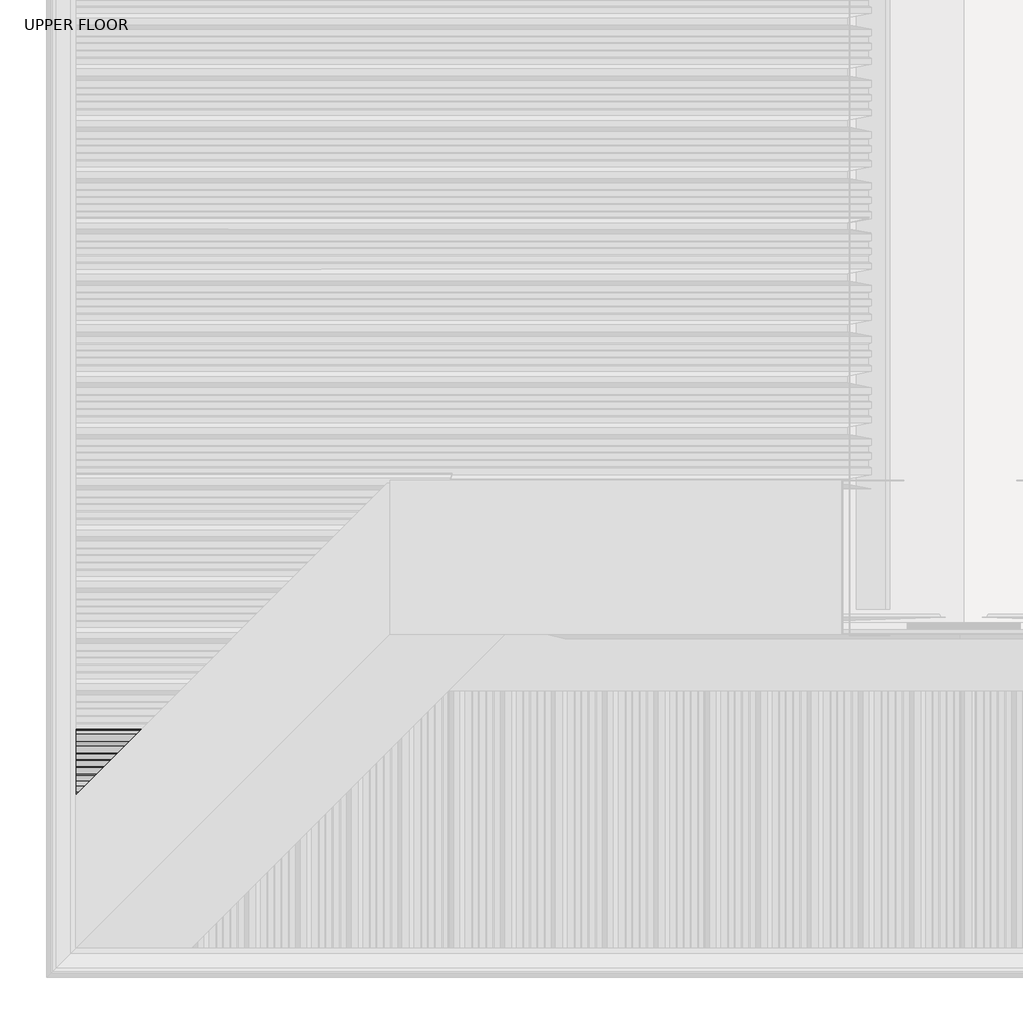
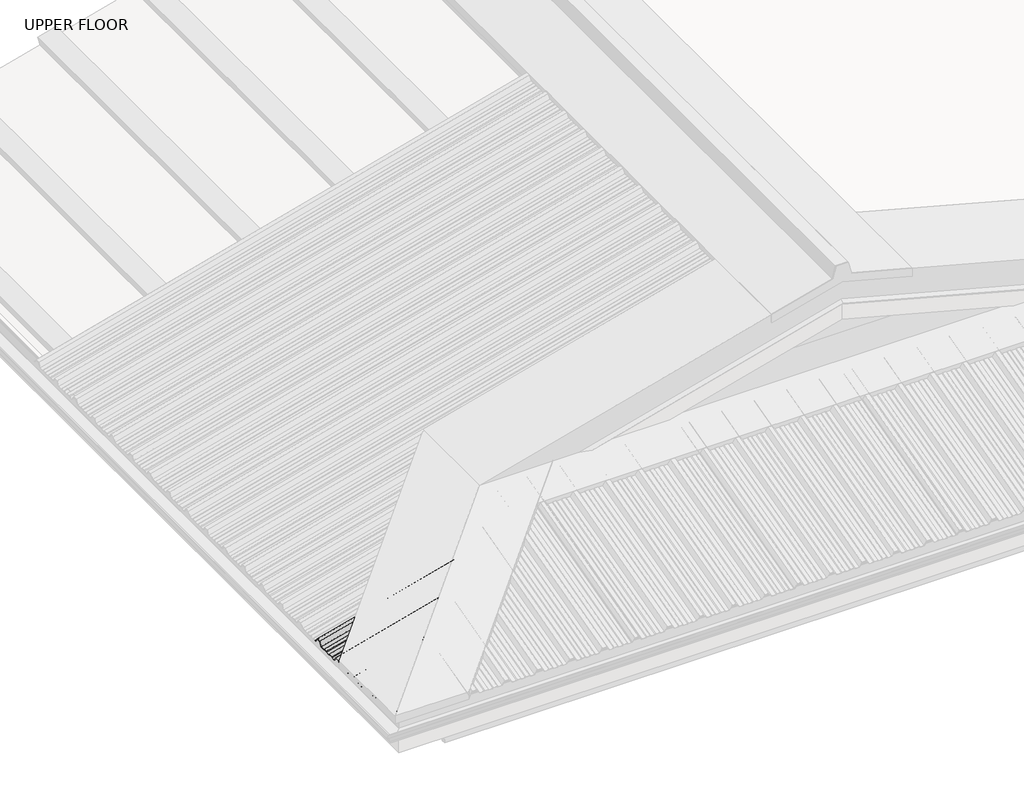
# One storey, part 2 of 18: 1 beam.
"""IFC4 building model written with IfcOpenShell, lengths in millimetres."""

from ifc_helpers import new_model, si_unit, frame, origin, place, context, project, spatial, ellipse_curve, element, save
from ifc_brep_helpers import plane_surface, cylinder_surface, advanced_brep

model = new_model("IFC4")

# Units and contexts
model_context = context("Model", 3, world=origin())
ifc_project = project(units=[si_unit("LENGTHUNIT", "METRE", prefix="MILLI")], contexts=[model_context])

# Site, building, storey
site = spatial("IfcSite", under=ifc_project)
building = spatial("IfcBuilding", under=site)
storey = spatial("IfcBuildingStorey", under=building, Name="UPPER FLOOR", Elevation=2700.0)

# Beam
placement = place(None, origin())
element("IfcBeam", 1, at=placement, inside=storey, context=model_context, shape_type="AdvancedBrep", body=[
    advanced_brep(
    [(-537.2333795, -4603.8599507, 3289.1756136), (-555.389462, -4622.0160332, 3284.3107059), (-592.3448479, -4622.0160332, 3274.4085401), (-592.3448479, -4603.8599507, 3274.4085401), (-533.1067775, -4599.7333487, 3292.3518856), (-592.3448479, -4599.7333487, 3276.4790925), (-515.4999424, -4582.1265136, 3297.0696229), (-592.3448479, -4582.1265136, 3276.4790925), (-512.2357784, -4578.8623496, 3295.8737006), (-592.3448479, -4578.8623496, 3274.4085401), (-493.4628047, -4560.0893759, 3300.9039038), (-592.3448479, -4560.0893759, 3274.4085401), (-490.4213462, -4557.0479174, 3303.7894125), (-592.3448479, -4557.0479174, 3276.4790925), (-474.7555423, -4541.3821135, 3307.987052), (-592.3448479, -4541.3821135, 3276.4790925), (-471.7119004, -4538.3384716, 3306.732041), (-592.3448479, -4538.3384716, 3274.4085401), (-451.389462, -4518.0160332, 3312.177422), (-592.3448479, -4518.0160332, 3274.4085401), (-437.8900716, -4504.5166428, 3334.429544), (-592.3448479, -4504.5166428, 3293.0435114), (-418.8888523, -4485.5154236, 3339.5209053), (-592.3448479, -4485.5154236, 3293.0435114), (-405.389462, -4472.0160332, 3324.5030848), (-592.3448479, -4472.0160332, 3274.4085401), (-387.2333795, -4453.8599507, 3329.3679924), (-592.3448479, -4453.8599507, 3274.4085401), (-383.1067775, -4449.7333487, 3332.5442645), (-592.3448479, -4449.7333487, 3276.4790925), (-365.4999424, -4432.1265136, 3337.2620017), (-592.3448479, -4432.1265136, 3276.4790925), (-362.2357784, -4428.8623496, 3336.0660795), (-592.3448479, -4428.8623496, 3274.4085401), (-343.4628047, -4410.0893759, 3341.0962826), (-592.3448479, -4410.0893759, 3274.4085401), (-340.4213462, -4407.0479174, 3343.9817913), (-592.3448479, -4407.0479174, 3276.4790925), (-324.7555423, -4391.3821135, 3348.1794308), (-592.3448479, -4391.3821135, 3276.4790925), (-321.7119004, -4388.3384716, 3346.9244198), (-592.3448479, -4388.3384716, 3274.4085401), (-301.389462, -4368.0160332, 3352.3698008), (-592.3448479, -4368.0160332, 3274.4085401), (-287.8900716, -4354.5166428, 3374.6219228), (-592.3448479, -4354.5166428, 3293.0435114), (-268.8888523, -4335.5154236, 3379.7132842), (-592.3448479, -4335.5154236, 3293.0435114), (-255.389462, -4322.0160332, 3364.6954637), (-592.3448479, -4322.0160332, 3274.4085401), (-237.2333795, -4303.8599507, 3369.5603713), (-592.3448479, -4303.8599507, 3274.4085401), (-233.1067775, -4299.7333487, 3372.7366433), (-592.3448479, -4299.7333487, 3276.4790925), (-215.4999424, -4282.1265136, 3377.4543806), (-592.3448479, -4282.1265136, 3276.4790925), (-212.2357784, -4278.8623496, 3376.2584583), (-592.3448479, -4278.8623496, 3274.4085401), (-193.4628047, -4260.0893759, 3381.2886615), (-592.3448479, -4260.0893759, 3274.4085401), (-190.4213462, -4257.0479174, 3384.1741702), (-592.3448479, -4257.0479174, 3276.4790925), (-174.7555423, -4241.3821135, 3388.3718097), (-592.3448479, -4241.3821135, 3276.4790925), (-171.7119004, -4238.3384716, 3387.1167987), (-592.3448479, -4238.3384716, 3274.4085401), (-151.389462, -4218.0160332, 3392.5621797), (-592.3448479, -4218.0160332, 3274.4085401), (-137.8900716, -4204.5166428, 3414.8143017), (-592.3448479, -4204.5166428, 3293.0435114), (-118.8888523, -4185.5154236, 3419.905663), (-592.3448479, -4185.5154236, 3293.0435114), (-105.389462, -4172.0160332, 3404.8878425), (-592.3448479, -4172.0160332, 3274.4085401), (-87.2333795, -4153.8599507, 3409.7527502), (-592.3448479, -4153.8599507, 3274.4085401), (-83.1067775, -4149.7333487, 3412.9290222), (-592.3448479, -4149.7333487, 3276.4790925), (-65.4999424, -4132.1265136, 3417.6467595), (-592.3448479, -4132.1265136, 3276.4790925), (-62.2357784, -4128.8623496, 3416.4508372), (-592.3448479, -4128.8623496, 3274.4085401), (-43.4628047, -4110.0893759, 3421.4810403), (-592.3448479, -4110.0893759, 3274.4085401), (-40.4213462, -4107.0479174, 3424.3665491), (-592.3448479, -4107.0479174, 3276.4790925), (-24.7555423, -4091.3821135, 3428.5641885), (-592.3448479, -4091.3821135, 3276.4790925), (-21.7119004, -4088.3384716, 3427.3091776), (-592.3448479, -4088.3384716, 3274.4085401), (-1.389462, -4068.0160332, 3432.7545586), (-592.3448479, -4068.0160332, 3274.4085401), (12.1099284, -4054.5166428, 3455.0066805), (-592.3448479, -4054.5166428, 3293.0435114), (31.1111477, -4035.5154236, 3460.0980419), (-592.3448479, -4035.5154236, 3293.0435114), (43.1106058, -4023.5159654, 3446.7488681), (-592.3448479, -4023.5159654, 3276.4790925), (46.783923, -4019.8426482, 3447.7331305), (-592.3448479, -4019.8426482, 3276.4790925), (46.783923, -4019.8426482, 3448.7684067), (-592.3448479, -4019.8426482, 3277.5143687), (43.6099962, -4023.016575, 3447.9179556), (-592.3448479, -4023.016575, 3277.5143687), (31.610538, -4035.0160332, 3461.2671293), (-592.3448479, -4035.0160332, 3294.0787875), (11.610538, -4055.0160332, 3455.9081455), (-592.3448479, -4055.0160332, 3294.0787875), (-1.8888523, -4068.5154236, 3433.6560235), (-592.3448479, -4068.5154236, 3275.4438163), (-21.4127494, -4088.0393206, 3428.424611), (-592.3448479, -4088.0393206, 3275.4438163), (-24.4563913, -4091.0829625, 3429.679622), (-592.3448479, -4091.0829625, 3277.5143687), (-40.7206767, -4107.3472479, 3425.3216199), (-592.3448479, -4107.3472479, 3277.5143687), (-43.7621352, -4110.3887064, 3422.4361112), (-592.3448479, -4110.3887064, 3275.4438163), (-61.9537831, -4128.5803543, 3417.5616738), (-592.3448479, -4128.5803543, 3275.4438163), (-65.2179471, -4131.8445183, 3418.757596), (-592.3448479, -4131.8445183, 3277.5143687), (-83.3363374, -4149.9629086, 3413.902788), (-592.3448479, -4149.9629086, 3277.5143687), (-87.4629394, -4154.0895106, 3410.726516), (-592.3448479, -4154.0895106, 3275.4438163), (-104.8900716, -4171.5166428, 3406.05693), (-592.3448479, -4171.5166428, 3275.4438163), (-118.389462, -4185.0160332, 3421.0747505), (-592.3448479, -4185.0160332, 3294.0787875), (-138.389462, -4205.0160332, 3415.7157666), (-592.3448479, -4205.0160332, 3294.0787875), (-151.8888523, -4218.5154236, 3393.4636446), (-592.3448479, -4218.5154236, 3275.4438163), (-171.4127494, -4238.0393206, 3388.2322322), (-592.3448479, -4238.0393206, 3275.4438163), (-174.4563913, -4241.0829625, 3389.4872431), (-592.3448479, -4241.0829625, 3277.5143687), (-190.7206767, -4257.3472479, 3385.129241), (-592.3448479, -4257.3472479, 3277.5143687), (-193.7621352, -4260.3887064, 3382.2437323), (-592.3448479, -4260.3887064, 3275.4438163), (-211.9537831, -4278.5803543, 3377.3692949), (-592.3448479, -4278.5803543, 3275.4438163), (-215.2179471, -4281.8445183, 3378.5652172), (-592.3448479, -4281.8445183, 3277.5143687), (-233.3363374, -4299.9629086, 3373.7104091), (-592.3448479, -4299.9629086, 3277.5143687), (-237.4629394, -4304.0895106, 3370.5341371), (-592.3448479, -4304.0895106, 3275.4438163), (-254.8900716, -4321.5166428, 3365.8645511), (-592.3448479, -4321.5166428, 3275.4438163), (-268.389462, -4335.0160332, 3380.8823716), (-592.3448479, -4335.0160332, 3294.0787875), (-288.389462, -4355.0160332, 3375.5233878), (-592.3448479, -4355.0160332, 3294.0787875), (-301.8888523, -4368.5154236, 3353.2712658), (-592.3448479, -4368.5154236, 3275.4438163), (-321.4127494, -4388.0393206, 3348.0398533), (-592.3448479, -4388.0393206, 3275.4438163), (-324.4563913, -4391.0829625, 3349.2948643), (-592.3448479, -4391.0829625, 3277.5143687), (-340.7206767, -4407.3472479, 3344.9368621), (-592.3448479, -4407.3472479, 3277.5143687), (-343.7621352, -4410.3887064, 3342.0513534), (-592.3448479, -4410.3887064, 3275.4438163), (-361.9537831, -4428.5803543, 3337.1769161), (-592.3448479, -4428.5803543, 3275.4438163), (-365.2179471, -4431.8445183, 3338.3728383), (-592.3448479, -4431.8445183, 3277.5143687), (-383.3363374, -4449.9629086, 3333.5180303), (-592.3448479, -4449.9629086, 3277.5143687), (-387.4629394, -4454.0895106, 3330.3417582), (-592.3448479, -4454.0895106, 3275.4438163), (-404.8900716, -4471.5166428, 3325.6721722), (-592.3448479, -4471.5166428, 3275.4438163), (-418.389462, -4485.0160332, 3340.6899927), (-592.3448479, -4485.0160332, 3294.0787875), (-438.389462, -4505.0160332, 3335.3310089), (-592.3448479, -4505.0160332, 3294.0787875), (-451.8888523, -4518.5154236, 3313.0788869), (-592.3448479, -4518.5154236, 3275.4438163), (-471.4127494, -4538.0393206, 3307.8474744), (-592.3448479, -4538.0393206, 3275.4438163), (-474.4563913, -4541.0829625, 3309.1024854), (-592.3448479, -4541.0829625, 3277.5143687), (-490.7206767, -4557.3472479, 3304.7444833), (-592.3448479, -4557.3472479, 3277.5143687), (-493.7621352, -4560.3887064, 3301.8589746), (-592.3448479, -4560.3887064, 3275.4438163), (-511.9537831, -4578.5803543, 3296.9845372), (-592.3448479, -4578.5803543, 3275.4438163), (-515.2179471, -4581.8445183, 3298.1804594), (-592.3448479, -4581.8445183, 3277.5143687), (-533.3363374, -4599.9629086, 3293.3256514), (-592.3448479, -4599.9629086, 3277.5143687), (-537.4629394, -4604.0895106, 3290.1493794), (-592.3448479, -4604.0895106, 3275.4438163), (-554.8900716, -4621.5166428, 3285.4797934), (-592.3448479, -4621.5166428, 3275.4438163), (-568.389462, -4635.0160332, 3300.4976139), (-592.3448479, -4635.0160332, 3294.0787875), (-588.389462, -4655.0160332, 3295.13863), (-592.3448479, -4655.0160332, 3294.0787875), (-592.3448479, -4658.9714191, 3288.6186518), (-568.8888523, -4635.5154236, 3299.3285264), (-592.3448479, -4635.5154236, 3293.0435114), (-587.8900716, -4654.5166428, 3294.2371651), (-592.3448479, -4658.9714191, 3286.8940019), (-592.3448479, -4654.5166428, 3293.0435114)],
    [
        (0, 1),
        (1, 2),
        (2, 3),
        (3, 0),
        (4, 0),
        (3, 5),
        (5, 4),
        (6, 4),
        (5, 7),
        (7, 6),
        (8, 6),
        (7, 9),
        (9, 8),
        (10, 8),
        (9, 11),
        (11, 10),
        (12, 10),
        (11, 13),
        (13, 12),
        (14, 12),
        (13, 15),
        (15, 14),
        (16, 14),
        (15, 17),
        (17, 16),
        (18, 16),
        (17, 19),
        (19, 18),
        (20, 18),
        (19, 21),
        (21, 20),
        (22, 20),
        (21, 23),
        (23, 22),
        (24, 22),
        (23, 25),
        (25, 24),
        (26, 24),
        (25, 27),
        (27, 26),
        (28, 26),
        (27, 29),
        (29, 28),
        (30, 28),
        (29, 31),
        (31, 30),
        (32, 30),
        (31, 33),
        (33, 32),
        (34, 32),
        (33, 35),
        (35, 34),
        (36, 34),
        (35, 37),
        (37, 36),
        (38, 36),
        (37, 39),
        (39, 38),
        (40, 38),
        (39, 41),
        (41, 40),
        (42, 40),
        (41, 43),
        (43, 42),
        (44, 42),
        (43, 45),
        (45, 44),
        (46, 44),
        (45, 47),
        (47, 46),
        (48, 46),
        (47, 49),
        (49, 48),
        (50, 48),
        (49, 51),
        (51, 50),
        (52, 50),
        (51, 53),
        (53, 52),
        (54, 52),
        (53, 55),
        (55, 54),
        (56, 54),
        (55, 57),
        (57, 56),
        (58, 56),
        (57, 59),
        (59, 58),
        (60, 58),
        (59, 61),
        (61, 60),
        (62, 60),
        (61, 63),
        (63, 62),
        (64, 62),
        (63, 65),
        (65, 64),
        (66, 64),
        (65, 67),
        (67, 66),
        (68, 66),
        (67, 69),
        (69, 68),
        (70, 68),
        (69, 71),
        (71, 70),
        (72, 70),
        (71, 73),
        (73, 72),
        (74, 72),
        (73, 75),
        (75, 74),
        (76, 74),
        (75, 77),
        (77, 76),
        (78, 76),
        (77, 79),
        (79, 78),
        (80, 78),
        (79, 81),
        (81, 80),
        (82, 80),
        (81, 83),
        (83, 82),
        (84, 82),
        (83, 85),
        (85, 84),
        (86, 84),
        (85, 87),
        (87, 86),
        (88, 86),
        (87, 89),
        (89, 88),
        (90, 88),
        (89, 91),
        (91, 90),
        (92, 90),
        (91, 93),
        (93, 92),
        (94, 92),
        (93, 95),
        (95, 94),
        (96, 94),
        (95, 97),
        (97, 96),
        (98, 96),
        (97, 99),
        (99, 98),
        (100, 98, ellipse_curve(frame((46.783923, -4019.8426482, 3448.2507686), z_axis=(-0.7071067811865475, 0.7071067811865476, 0.0), x_axis=(0.6612248329466448, 0.6612248329466447, 0.35434932000691577)), 0.7320508, 0.5)),
        (99, 101, ellipse_curve(frame((-592.3448479, -4019.8426482, 3276.9967306), z_axis=(1.0, 0.0, 0.0), x_axis=(0.0, 0.0, 1.0)), 0.5176381, 0.5)),
        (101, 100),
        (102, 100),
        (101, 103),
        (103, 102),
        (104, 102),
        (103, 105),
        (105, 104),
        (106, 104),
        (105, 107),
        (107, 106),
        (108, 106),
        (107, 109),
        (109, 108),
        (110, 108),
        (109, 111),
        (111, 110),
        (112, 110),
        (111, 113),
        (113, 112),
        (114, 112),
        (113, 115),
        (115, 114),
        (116, 114),
        (115, 117),
        (117, 116),
        (118, 116),
        (117, 119),
        (119, 118),
        (120, 118),
        (119, 121),
        (121, 120),
        (122, 120),
        (121, 123),
        (123, 122),
        (124, 122),
        (123, 125),
        (125, 124),
        (126, 124),
        (125, 127),
        (127, 126),
        (128, 126),
        (127, 129),
        (129, 128),
        (130, 128),
        (129, 131),
        (131, 130),
        (132, 130),
        (131, 133),
        (133, 132),
        (134, 132),
        (133, 135),
        (135, 134),
        (136, 134),
        (135, 137),
        (137, 136),
        (138, 136),
        (137, 139),
        (139, 138),
        (140, 138),
        (139, 141),
        (141, 140),
        (142, 140),
        (141, 143),
        (143, 142),
        (144, 142),
        (143, 145),
        (145, 144),
        (146, 144),
        (145, 147),
        (147, 146),
        (148, 146),
        (147, 149),
        (149, 148),
        (150, 148),
        (149, 151),
        (151, 150),
        (152, 150),
        (151, 153),
        (153, 152),
        (154, 152),
        (153, 155),
        (155, 154),
        (156, 154),
        (155, 157),
        (157, 156),
        (158, 156),
        (157, 159),
        (159, 158),
        (160, 158),
        (159, 161),
        (161, 160),
        (162, 160),
        (161, 163),
        (163, 162),
        (164, 162),
        (163, 165),
        (165, 164),
        (166, 164),
        (165, 167),
        (167, 166),
        (168, 166),
        (167, 169),
        (169, 168),
        (170, 168),
        (169, 171),
        (171, 170),
        (172, 170),
        (171, 173),
        (173, 172),
        (174, 172),
        (173, 175),
        (175, 174),
        (176, 174),
        (175, 177),
        (177, 176),
        (178, 176),
        (177, 179),
        (179, 178),
        (180, 178),
        (179, 181),
        (181, 180),
        (182, 180),
        (181, 183),
        (183, 182),
        (184, 182),
        (183, 185),
        (185, 184),
        (186, 184),
        (185, 187),
        (187, 186),
        (188, 186),
        (187, 189),
        (189, 188),
        (190, 188),
        (189, 191),
        (191, 190),
        (192, 190),
        (191, 193),
        (193, 192),
        (194, 192),
        (193, 195),
        (195, 194),
        (196, 194),
        (195, 197),
        (197, 196),
        (198, 196),
        (197, 199),
        (199, 198),
        (200, 198),
        (199, 201),
        (201, 200),
        (202, 200),
        (201, 203),
        (203, 202),
        (204, 202),
        (203, 204),
        (1, 205),
        (205, 206),
        (206, 2),
        (207, 208),
        (208, 209),
        (209, 207),
        (205, 207),
        (209, 206),
        (204, 208),
    ],
    [
        plane_surface(frame((510.9826498, -4622.0160332, 3570.0442521), z_axis=(0.2588190451025209, 0.0, -0.9659258262890683), x_axis=(-0.9659258262890683, 0.0, -0.2588190451025209))),
        plane_surface(frame((510.9826498, -4603.8599507, 3570.0442521), z_axis=(0.23290623468573982, 0.43613636169978615, -0.8692179012467383), x_axis=(-0.9659258262890683, 0.0, -0.2588190451025209))),
        plane_surface(frame((510.4650117, -4599.7333487, 3571.9761038), z_axis=(0.2588190451025209, 0.0, -0.9659258262890683), x_axis=(-0.9659258262890683, 0.0, -0.2588190451025209))),
        plane_surface(frame((510.4650117, -4582.1265136, 3571.9761038), z_axis=(0.22068801492462886, -0.5224449573493033, -0.8236188843202367), x_axis=(-0.9659258262890683, 0.0, -0.2588190451025209))),
        plane_surface(frame((510.9826498, -4578.8623496, 3570.0442521), z_axis=(0.2588190451025209, 0.0, -0.9659258262890683), x_axis=(-0.9659258262890683, 0.0, -0.2588190451025209))),
        plane_surface(frame((510.9826498, -4560.0893759, 3570.0442521), z_axis=(0.21625317242009764, 0.549432514883668, -0.8070678267697529), x_axis=(-0.9659258262890683, 0.0, -0.2588190451025209))),
        plane_surface(frame((510.4650117, -4557.0479174, 3571.9761038), z_axis=(0.2588190451025209, 0.0, -0.9659258262890683), x_axis=(-0.9659258262890683, 0.0, -0.2588190451025209))),
        plane_surface(frame((510.4650117, -4541.3821135, 3571.9761038), z_axis=(0.21630000128988644, -0.5491572662555926, -0.8072425944910732), x_axis=(-0.9659258262890683, 0.0, -0.2588190451025209))),
        plane_surface(frame((510.9826498, -4538.3384716, 3570.0442521), z_axis=(0.2588190451025209, 0.0, -0.9659258262890683), x_axis=(-0.9659258262890683, 0.0, -0.2588190451025209))),
        plane_surface(frame((510.9826498, -4518.0160332, 3570.0442521), z_axis=(0.15528693899675572, 0.8000130051193378, -0.5795387460877354), x_axis=(-0.9659258262890683, 0.0, -0.2588190451025209))),
        plane_surface(frame((506.323907, -4504.5166428, 3587.430917), z_axis=(0.2588190451025209, 0.0, -0.9659258262890683), x_axis=(-0.9659258262890683, 0.0, -0.2588190451025209))),
        plane_surface(frame((506.323907, -4485.5154236, 3587.430917), z_axis=(0.155286938996752, -0.8000130051193403, -0.5795387460877326), x_axis=(-0.9659258262890683, 0.0, -0.2588190451025209))),
        plane_surface(frame((510.9826498, -4472.0160332, 3570.0442521), z_axis=(0.2588190451025209, 0.0, -0.9659258262890683), x_axis=(-0.9659258262890683, 0.0, -0.2588190451025209))),
        plane_surface(frame((510.9826498, -4453.8599507, 3570.0442521), z_axis=(0.2329062346857404, 0.43613636169978176, -0.8692179012467404), x_axis=(-0.9659258262890683, 0.0, -0.2588190451025209))),
        plane_surface(frame((510.4650117, -4449.7333487, 3571.9761038), z_axis=(0.2588190451025209, 0.0, -0.9659258262890683), x_axis=(-0.9659258262890683, 0.0, -0.2588190451025209))),
        plane_surface(frame((510.4650117, -4432.1265136, 3571.9761038), z_axis=(0.22068801492463, -0.5224449573492964, -0.8236188843202409), x_axis=(-0.9659258262890683, 0.0, -0.2588190451025209))),
        plane_surface(frame((510.9826498, -4428.8623496, 3570.0442521), z_axis=(0.2588190451025209, 0.0, -0.9659258262890683), x_axis=(-0.9659258262890683, 0.0, -0.2588190451025209))),
        plane_surface(frame((510.9826498, -4410.0893759, 3570.0442521), z_axis=(0.21625317242009912, 0.5494325148836594, -0.8070678267697583), x_axis=(-0.9659258262890683, 0.0, -0.2588190451025209))),
        plane_surface(frame((510.4650117, -4407.0479174, 3571.9761038), z_axis=(0.2588190451025209, 0.0, -0.9659258262890683), x_axis=(-0.9659258262890683, 0.0, -0.2588190451025209))),
        plane_surface(frame((510.4650117, -4391.3821135, 3571.9761038), z_axis=(0.2163000012898864, -0.5491572662555926, -0.8072425944910732), x_axis=(-0.9659258262890683, 0.0, -0.2588190451025209))),
        plane_surface(frame((510.9826498, -4388.3384716, 3570.0442521), z_axis=(0.2588190451025209, 0.0, -0.9659258262890683), x_axis=(-0.9659258262890683, 0.0, -0.2588190451025209))),
        plane_surface(frame((510.9826498, -4368.0160332, 3570.0442521), z_axis=(0.15528693899675608, 0.8000130051193365, -0.5795387460877368), x_axis=(-0.9659258262890683, 0.0, -0.2588190451025209))),
        plane_surface(frame((506.323907, -4354.5166428, 3587.430917), z_axis=(0.2588190451025209, 0.0, -0.9659258262890683), x_axis=(-0.9659258262890683, 0.0, -0.2588190451025209))),
        plane_surface(frame((506.323907, -4335.5154236, 3587.430917), z_axis=(0.15528693899675128, -0.8000130051193423, -0.5795387460877299), x_axis=(-0.9659258262890683, 0.0, -0.2588190451025209))),
        plane_surface(frame((510.9826498, -4322.0160332, 3570.0442521), z_axis=(0.2588190451025209, 0.0, -0.9659258262890683), x_axis=(-0.9659258262890683, 0.0, -0.2588190451025209))),
        plane_surface(frame((510.9826498, -4303.8599507, 3570.0442521), z_axis=(0.23290623468573926, 0.4361363616997905, -0.8692179012467361), x_axis=(-0.9659258262890683, 0.0, -0.2588190451025209))),
        plane_surface(frame((510.4650117, -4299.7333487, 3571.9761038), z_axis=(0.2588190451025209, 0.0, -0.9659258262890683), x_axis=(-0.9659258262890683, 0.0, -0.2588190451025209))),
        plane_surface(frame((510.4650117, -4282.1265136, 3571.9761038), z_axis=(0.22068801492462947, -0.5224449573492994, -0.823618884320239), x_axis=(-0.9659258262890683, 0.0, -0.2588190451025209))),
        plane_surface(frame((510.9826498, -4278.8623496, 3570.0442521), z_axis=(0.2588190451025209, 0.0, -0.9659258262890683), x_axis=(-0.9659258262890683, 0.0, -0.2588190451025209))),
        plane_surface(frame((510.9826498, -4260.0893759, 3570.0442521), z_axis=(0.21625317242009764, 0.549432514883668, -0.8070678267697529), x_axis=(-0.9659258262890683, 0.0, -0.2588190451025209))),
        plane_surface(frame((510.4650117, -4257.0479174, 3571.9761038), z_axis=(0.2588190451025209, 0.0, -0.9659258262890683), x_axis=(-0.9659258262890683, 0.0, -0.2588190451025209))),
        plane_surface(frame((510.4650117, -4241.3821135, 3571.9761038), z_axis=(0.21630000128988644, -0.5491572662555926, -0.8072425944910732), x_axis=(-0.9659258262890683, 0.0, -0.2588190451025209))),
        plane_surface(frame((510.9826498, -4238.3384716, 3570.0442521), z_axis=(0.2588190451025209, 0.0, -0.9659258262890683), x_axis=(-0.9659258262890683, 0.0, -0.2588190451025209))),
        plane_surface(frame((510.9826498, -4218.0160332, 3570.0442521), z_axis=(0.1552869389967556, 0.800013005119338, -0.579538746087735), x_axis=(-0.9659258262890683, 0.0, -0.2588190451025209))),
        plane_surface(frame((506.323907, -4204.5166428, 3587.430917), z_axis=(0.25881904510252096, 0.0, -0.9659258262890683), x_axis=(-0.9659258262890683, 0.0, -0.25881904510252096))),
        plane_surface(frame((506.323907, -4185.5154236, 3587.430917), z_axis=(0.15528693899675192, -0.8000130051193408, -0.5795387460877321), x_axis=(-0.9659258262890683, 0.0, -0.2588190451025209))),
        plane_surface(frame((510.9826498, -4172.0160332, 3570.0442521), z_axis=(0.2588190451025209, 0.0, -0.9659258262890683), x_axis=(-0.9659258262890683, 0.0, -0.2588190451025209))),
        plane_surface(frame((510.9826498, -4153.8599507, 3570.0442521), z_axis=(0.23290623468573785, 0.4361363616998017, -0.8692179012467309), x_axis=(-0.9659258262890683, 0.0, -0.2588190451025209))),
        plane_surface(frame((510.4650117, -4149.7333487, 3571.9761038), z_axis=(0.2588190451025209, 0.0, -0.9659258262890683), x_axis=(-0.9659258262890683, 0.0, -0.2588190451025209))),
        plane_surface(frame((510.4650117, -4132.1265136, 3571.9761038), z_axis=(0.22068801492462534, -0.5224449573493256, -0.8236188843202236), x_axis=(-0.9659258262890683, 0.0, -0.2588190451025209))),
        plane_surface(frame((510.9826498, -4128.8623496, 3570.0442521), z_axis=(0.2588190451025209, 0.0, -0.9659258262890683), x_axis=(-0.9659258262890683, 0.0, -0.2588190451025209))),
        plane_surface(frame((510.9826498, -4110.0893759, 3570.0442521), z_axis=(0.21625317242009243, 0.5494325148836984, -0.8070678267697334), x_axis=(-0.9659258262890683, 0.0, -0.2588190451025209))),
        plane_surface(frame((510.4650117, -4107.0479174, 3571.9761038), z_axis=(0.2588190451025209, 0.0, -0.9659258262890683), x_axis=(-0.9659258262890683, 0.0, -0.2588190451025209))),
        plane_surface(frame((510.4650117, -4091.3821135, 3571.9761038), z_axis=(0.2163000012898827, -0.5491572662556146, -0.8072425944910593), x_axis=(-0.9659258262890683, 0.0, -0.2588190451025209))),
        plane_surface(frame((510.9826498, -4088.3384716, 3570.0442521), z_axis=(0.2588190451025209, 0.0, -0.9659258262890683), x_axis=(-0.9659258262890683, 0.0, -0.2588190451025209))),
        plane_surface(frame((510.9826498, -4068.0160332, 3570.0442521), z_axis=(0.15528693899675503, 0.8000130051193397, -0.5795387460877328), x_axis=(-0.9659258262890683, 0.0, -0.2588190451025209))),
        plane_surface(frame((506.323907, -4054.5166428, 3587.430917), z_axis=(0.2588190451025209, 0.0, -0.9659258262890683), x_axis=(-0.9659258262890683, 0.0, -0.2588190451025209))),
        plane_surface(frame((506.323907, -4035.5154236, 3587.430917), z_axis=(0.15528693899675183, -0.800013005119341, -0.5795387460877318), x_axis=(-0.9659258262890683, 0.0, -0.2588190451025209))),
        plane_surface(frame((510.4650117, -4023.5159654, 3571.9761038), z_axis=(0.2588190451025209, 0.0, -0.9659258262890683), x_axis=(-0.9659258262890683, 0.0, -0.2588190451025209))),
        cylinder_surface(frame((-605.4065742, -4019.8426482, 3273.4968516), z_axis=(0.9659258262890683, 0.0, 0.2588190451025209), x_axis=(0.0, 1.0000000000000002, 0.0)), 0.5),
        plane_surface(frame((510.2061927, -4019.8426482, 3572.9420296), z_axis=(-0.2588190451025209, 0.0, 0.9659258262890683), x_axis=(-0.9659258262890683, 0.0, -0.2588190451025209))),
        plane_surface(frame((510.2061927, -4023.016575, 3572.9420296), z_axis=(-0.15528693899675178, 0.8000130051193413, 0.5795387460877316), x_axis=(-0.9659258262890683, 0.0, -0.2588190451025209))),
        plane_surface(frame((506.0650879, -4035.0160332, 3588.3968428), z_axis=(-0.2588190451025209, 0.0, 0.9659258262890683), x_axis=(-0.9659258262890683, 0.0, -0.2588190451025209))),
        plane_surface(frame((506.0650879, -4055.0160332, 3588.3968428), z_axis=(-0.15528693899675514, -0.8000130051193396, 0.5795387460877333), x_axis=(-0.9659258262890683, 0.0, -0.2588190451025209))),
        plane_surface(frame((510.7238308, -4068.5154236, 3571.0101779), z_axis=(-0.2588190451025209, 0.0, 0.9659258262890683), x_axis=(-0.9659258262890683, 0.0, -0.2588190451025209))),
        plane_surface(frame((510.7238308, -4088.0393206, 3571.0101779), z_axis=(-0.21630000128988935, 0.5491572662555756, 0.807242594491084), x_axis=(-0.9659258262890683, 0.0, -0.2588190451025209))),
        plane_surface(frame((510.2061927, -4091.0829625, 3572.9420296), z_axis=(-0.2588190451025209, 0.0, 0.9659258262890683), x_axis=(-0.9659258262890683, 0.0, -0.2588190451025209))),
        plane_surface(frame((510.2061927, -4107.3472479, 3572.9420296), z_axis=(-0.21625317242009962, -0.5494325148836561, 0.8070678267697603), x_axis=(-0.9659258262890683, 0.0, -0.2588190451025209))),
        plane_surface(frame((510.7238308, -4110.3887064, 3571.0101779), z_axis=(-0.2588190451025209, 0.0, 0.9659258262890683), x_axis=(-0.9659258262890683, 0.0, -0.2588190451025209))),
        plane_surface(frame((510.7238308, -4128.5803543, 3571.0101779), z_axis=(-0.22068801492462786, 0.5224449573493096, 0.823618884320233), x_axis=(-0.9659258262890683, 0.0, -0.2588190451025209))),
        plane_surface(frame((510.2061927, -4131.8445183, 3572.9420296), z_axis=(-0.2588190451025209, 0.0, 0.9659258262890683), x_axis=(-0.9659258262890683, 0.0, -0.2588190451025209))),
        plane_surface(frame((510.2061927, -4149.9629086, 3572.9420296), z_axis=(-0.23290623468573846, -0.43613636169979725, 0.869217901246733), x_axis=(-0.9659258262890683, 0.0, -0.2588190451025209))),
        plane_surface(frame((510.7238308, -4154.0895106, 3571.0101779), z_axis=(-0.2588190451025209, 0.0, 0.9659258262890683), x_axis=(-0.9659258262890683, 0.0, -0.2588190451025209))),
        plane_surface(frame((510.7238308, -4171.5166428, 3571.0101779), z_axis=(-0.15528693899675328, 0.8000130051193369, 0.5795387460877371), x_axis=(-0.9659258262890683, 0.0, -0.2588190451025209))),
        plane_surface(frame((506.0650879, -4185.0160332, 3588.3968428), z_axis=(-0.2588190451025209, 0.0, 0.9659258262890683), x_axis=(-0.9659258262890683, 0.0, -0.2588190451025209))),
        plane_surface(frame((506.0650879, -4205.0160332, 3588.3968428), z_axis=(-0.15528693899675505, -0.8000130051193396, 0.5795387460877329), x_axis=(-0.9659258262890683, 0.0, -0.2588190451025209))),
        plane_surface(frame((510.7238308, -4218.5154236, 3571.0101779), z_axis=(-0.2588190451025209, 0.0, 0.9659258262890683), x_axis=(-0.9659258262890683, 0.0, -0.2588190451025209))),
        plane_surface(frame((510.7238308, -4238.0393206, 3571.0101779), z_axis=(-0.216300001289887, 0.5491572662555894, 0.8072425944910753), x_axis=(-0.9659258262890683, 0.0, -0.2588190451025209))),
        plane_surface(frame((510.2061927, -4241.0829625, 3572.9420296), z_axis=(-0.2588190451025209, 0.0, 0.9659258262890683), x_axis=(-0.9659258262890683, 0.0, -0.2588190451025209))),
        plane_surface(frame((510.2061927, -4257.3472479, 3572.9420296), z_axis=(-0.2162531724200982, -0.5494325148836647, 0.8070678267697551), x_axis=(-0.9659258262890683, 0.0, -0.2588190451025209))),
        plane_surface(frame((510.7238308, -4260.3887064, 3571.0101779), z_axis=(-0.2588190451025209, 0.0, 0.9659258262890683), x_axis=(-0.9659258262890683, 0.0, -0.2588190451025209))),
        plane_surface(frame((510.7238308, -4278.5803543, 3571.0101779), z_axis=(-0.22068801492462875, 0.5224449573493041, 0.8236188843202363), x_axis=(-0.9659258262890683, 0.0, -0.2588190451025209))),
        plane_surface(frame((510.2061927, -4281.8445183, 3572.9420296), z_axis=(-0.2588190451025209, 0.0, 0.9659258262890683), x_axis=(-0.9659258262890683, 0.0, -0.2588190451025209))),
        plane_surface(frame((510.2061927, -4299.9629086, 3572.9420296), z_axis=(-0.23290623468574004, -0.4361363616997848, 0.869217901246739), x_axis=(-0.9659258262890683, 0.0, -0.2588190451025209))),
        plane_surface(frame((510.7238308, -4304.0895106, 3571.0101779), z_axis=(-0.25881904510252096, 0.0, 0.9659258262890683), x_axis=(-0.9659258262890683, 0.0, -0.25881904510252096))),
        plane_surface(frame((510.7238308, -4321.5166428, 3571.0101779), z_axis=(-0.1552869389967523, 0.8000130051193395, 0.5795387460877337), x_axis=(-0.9659258262890683, 0.0, -0.2588190451025209))),
        plane_surface(frame((506.0650879, -4335.0160332, 3588.3968428), z_axis=(-0.2588190451025209, 0.0, 0.9659258262890683), x_axis=(-0.9659258262890683, 0.0, -0.2588190451025209))),
        plane_surface(frame((506.0650879, -4355.0160332, 3588.3968428), z_axis=(-0.15528693899675525, -0.8000130051193394, 0.5795387460877335), x_axis=(-0.9659258262890683, 0.0, -0.2588190451025209))),
        plane_surface(frame((510.7238308, -4368.5154236, 3571.0101779), z_axis=(-0.2588190451025209, 0.0, 0.9659258262890683), x_axis=(-0.9659258262890683, 0.0, -0.2588190451025209))),
        plane_surface(frame((510.7238308, -4388.0393206, 3571.0101779), z_axis=(-0.21630000128988697, 0.5491572662555894, 0.8072425944910753), x_axis=(-0.9659258262890683, 0.0, -0.2588190451025209))),
        plane_surface(frame((510.2061927, -4391.0829625, 3572.9420296), z_axis=(-0.2588190451025209, 0.0, 0.9659258262890683), x_axis=(-0.9659258262890683, 0.0, -0.2588190451025209))),
        plane_surface(frame((510.2061927, -4407.3472479, 3572.9420296), z_axis=(-0.21625317242009964, -0.5494325148836561, 0.8070678267697603), x_axis=(-0.9659258262890683, 0.0, -0.2588190451025209))),
        plane_surface(frame((510.7238308, -4410.3887064, 3571.0101779), z_axis=(-0.2588190451025209, 0.0, 0.9659258262890683), x_axis=(-0.9659258262890683, 0.0, -0.2588190451025209))),
        plane_surface(frame((510.7238308, -4428.5803543, 3571.0101779), z_axis=(-0.2206880149246296, 0.5224449573492986, 0.8236188843202396), x_axis=(-0.9659258262890683, 0.0, -0.2588190451025209))),
        plane_surface(frame((510.2061927, -4431.8445183, 3572.9420296), z_axis=(-0.2588190451025209, 0.0, 0.9659258262890683), x_axis=(-0.9659258262890683, 0.0, -0.2588190451025209))),
        plane_surface(frame((510.2061927, -4449.9629086, 3572.9420296), z_axis=(-0.2329062346857398, -0.436136361699787, 0.8692179012467379), x_axis=(-0.9659258262890683, 0.0, -0.25881904510252096))),
        plane_surface(frame((510.7238308, -4454.0895106, 3571.0101779), z_axis=(-0.2588190451025209, 0.0, 0.9659258262890683), x_axis=(-0.9659258262890683, 0.0, -0.2588190451025209))),
        plane_surface(frame((510.7238308, -4471.5166428, 3571.0101779), z_axis=(-0.15528693899675244, 0.8000130051193391, 0.579538746087734), x_axis=(-0.9659258262890683, 0.0, -0.2588190451025209))),
        plane_surface(frame((506.0650879, -4485.0160332, 3588.3968428), z_axis=(-0.2588190451025209, 0.0, 0.9659258262890683), x_axis=(-0.9659258262890683, 0.0, -0.2588190451025209))),
        plane_surface(frame((506.0650879, -4505.0160332, 3588.3968428), z_axis=(-0.1552869389967552, -0.8000130051193394, 0.5795387460877334), x_axis=(-0.9659258262890683, 0.0, -0.2588190451025209))),
        plane_surface(frame((510.7238308, -4518.5154236, 3571.0101779), z_axis=(-0.2588190451025209, 0.0, 0.9659258262890683), x_axis=(-0.9659258262890683, 0.0, -0.2588190451025209))),
        plane_surface(frame((510.7238308, -4538.0393206, 3571.0101779), z_axis=(-0.21630000128988644, 0.5491572662555926, 0.8072425944910732), x_axis=(-0.9659258262890683, 0.0, -0.2588190451025209))),
        plane_surface(frame((510.2061927, -4541.0829625, 3572.9420296), z_axis=(-0.2588190451025209, 0.0, 0.9659258262890683), x_axis=(-0.9659258262890683, 0.0, -0.2588190451025209))),
        plane_surface(frame((510.2061927, -4557.3472479, 3572.9420296), z_axis=(-0.21625317242009764, -0.549432514883668, 0.8070678267697529), x_axis=(-0.9659258262890683, 0.0, -0.2588190451025209))),
        plane_surface(frame((510.7238308, -4560.3887064, 3571.0101779), z_axis=(-0.2588190451025209, 0.0, 0.9659258262890683), x_axis=(-0.9659258262890683, 0.0, -0.2588190451025209))),
        plane_surface(frame((510.7238308, -4578.5803543, 3571.0101779), z_axis=(-0.22068801492462836, 0.5224449573493065, 0.8236188843202348), x_axis=(-0.9659258262890683, 0.0, -0.2588190451025209))),
        plane_surface(frame((510.2061927, -4581.8445183, 3572.9420296), z_axis=(-0.2588190451025209, 0.0, 0.9659258262890683), x_axis=(-0.9659258262890683, 0.0, -0.2588190451025209))),
        plane_surface(frame((510.2061927, -4599.9629086, 3572.9420296), z_axis=(-0.23290623468574, -0.43613636169978465, 0.8692179012467389), x_axis=(-0.9659258262890683, 0.0, -0.2588190451025209))),
        plane_surface(frame((510.7238308, -4604.0895106, 3571.0101779), z_axis=(-0.2588190451025209, 0.0, 0.9659258262890683), x_axis=(-0.9659258262890683, 0.0, -0.2588190451025209))),
        plane_surface(frame((510.7238308, -4621.5166428, 3571.0101779), z_axis=(-0.15528693899675267, 0.8000130051193386, 0.579538746087735), x_axis=(-0.9659258262890683, 0.0, -0.2588190451025209))),
        plane_surface(frame((506.0650879, -4635.0160332, 3588.3968428), z_axis=(-0.2588190451025209, 0.0, 0.9659258262890683), x_axis=(-0.9659258262890683, 0.0, -0.2588190451025209))),
        plane_surface(frame((506.0650879, -4655.0160332, 3588.3968428), z_axis=(-0.1552869389967555, -0.8000130051193384, 0.5795387460877346), x_axis=(-0.9659258262890683, 0.0, -0.2588190451025209))),
        plane_surface(frame((506.323907, -4635.5154236, 3587.430917), z_axis=(0.15528693899675217, -0.8000130051193401, -0.579538746087733), x_axis=(-0.9659258262890683, 0.0, -0.2588190451025209))),
        plane_surface(frame((510.9826498, -4668.0160332, 3570.0442521), z_axis=(0.15528693899675566, 0.800013005119338, -0.5795387460877351), x_axis=(-0.9659258262890683, 0.0, -0.2588190451025209))),
        plane_surface(frame((506.323907, -4654.5166428, 3587.430917), z_axis=(0.2588190451025209, 0.0, -0.9659258262890683), x_axis=(-0.9659258262890683, 0.0, -0.2588190451025209))),
        plane_surface(frame((1274.2285823, -2792.3979889, 4276.036793), z_axis=(0.7071067811865475, -0.7071067811865476, 0.0), x_axis=(0.0, 0.0, -1.0))),
        plane_surface(frame((-592.3448479, -4970.0160332, 3739.5229882), z_axis=(-1.0, 0.0, 0.0), x_axis=(0.0, 0.0, -1.0))),
    ],
    [
        (0, [[1, 2, 3, 4]]),
        (1, [[5, -4, 6, 7]]),
        (2, [[8, -7, 9, 10]]),
        (3, [[11, -10, 12, 13]]),
        (4, [[14, -13, 15, 16]]),
        (5, [[17, -16, 18, 19]]),
        (6, [[20, -19, 21, 22]]),
        (7, [[23, -22, 24, 25]]),
        (8, [[26, -25, 27, 28]]),
        (9, [[29, -28, 30, 31]]),
        (10, [[32, -31, 33, 34]]),
        (11, [[35, -34, 36, 37]]),
        (12, [[38, -37, 39, 40]]),
        (13, [[41, -40, 42, 43]]),
        (14, [[44, -43, 45, 46]]),
        (15, [[47, -46, 48, 49]]),
        (16, [[50, -49, 51, 52]]),
        (17, [[53, -52, 54, 55]]),
        (18, [[56, -55, 57, 58]]),
        (19, [[59, -58, 60, 61]]),
        (20, [[62, -61, 63, 64]]),
        (21, [[65, -64, 66, 67]]),
        (22, [[68, -67, 69, 70]]),
        (23, [[71, -70, 72, 73]]),
        (24, [[74, -73, 75, 76]]),
        (25, [[77, -76, 78, 79]]),
        (26, [[80, -79, 81, 82]]),
        (27, [[83, -82, 84, 85]]),
        (28, [[86, -85, 87, 88]]),
        (29, [[89, -88, 90, 91]]),
        (30, [[92, -91, 93, 94]]),
        (31, [[95, -94, 96, 97]]),
        (32, [[98, -97, 99, 100]]),
        (33, [[101, -100, 102, 103]]),
        (34, [[104, -103, 105, 106]]),
        (35, [[107, -106, 108, 109]]),
        (36, [[110, -109, 111, 112]]),
        (37, [[113, -112, 114, 115]]),
        (38, [[116, -115, 117, 118]]),
        (39, [[119, -118, 120, 121]]),
        (40, [[122, -121, 123, 124]]),
        (41, [[125, -124, 126, 127]]),
        (42, [[128, -127, 129, 130]]),
        (43, [[131, -130, 132, 133]]),
        (44, [[134, -133, 135, 136]]),
        (45, [[137, -136, 138, 139]]),
        (46, [[140, -139, 141, 142]]),
        (47, [[143, -142, 144, 145]]),
        (48, [[146, -145, 147, 148]]),
        (49, [[149, -148, 150, 151]]),
        (50, [[152, -151, 153, 154]]),
        (51, [[155, -154, 156, 157]]),
        (52, [[158, -157, 159, 160]]),
        (53, [[161, -160, 162, 163]]),
        (54, [[164, -163, 165, 166]]),
        (55, [[167, -166, 168, 169]]),
        (56, [[170, -169, 171, 172]]),
        (57, [[173, -172, 174, 175]]),
        (58, [[176, -175, 177, 178]]),
        (59, [[179, -178, 180, 181]]),
        (60, [[182, -181, 183, 184]]),
        (61, [[185, -184, 186, 187]]),
        (62, [[188, -187, 189, 190]]),
        (63, [[191, -190, 192, 193]]),
        (64, [[194, -193, 195, 196]]),
        (65, [[197, -196, 198, 199]]),
        (66, [[200, -199, 201, 202]]),
        (67, [[203, -202, 204, 205]]),
        (68, [[206, -205, 207, 208]]),
        (69, [[209, -208, 210, 211]]),
        (70, [[212, -211, 213, 214]]),
        (71, [[215, -214, 216, 217]]),
        (72, [[218, -217, 219, 220]]),
        (73, [[221, -220, 222, 223]]),
        (74, [[224, -223, 225, 226]]),
        (75, [[227, -226, 228, 229]]),
        (76, [[230, -229, 231, 232]]),
        (77, [[233, -232, 234, 235]]),
        (78, [[236, -235, 237, 238]]),
        (79, [[239, -238, 240, 241]]),
        (80, [[242, -241, 243, 244]]),
        (81, [[245, -244, 246, 247]]),
        (82, [[248, -247, 249, 250]]),
        (83, [[251, -250, 252, 253]]),
        (84, [[254, -253, 255, 256]]),
        (85, [[257, -256, 258, 259]]),
        (86, [[260, -259, 261, 262]]),
        (87, [[263, -262, 264, 265]]),
        (88, [[266, -265, 267, 268]]),
        (89, [[269, -268, 270, 271]]),
        (90, [[272, -271, 273, 274]]),
        (91, [[275, -274, 276, 277]]),
        (92, [[278, -277, 279, 280]]),
        (93, [[281, -280, 282, 283]]),
        (94, [[284, -283, 285, 286]]),
        (95, [[287, -286, 288, 289]]),
        (96, [[290, -289, 291, 292]]),
        (97, [[293, -292, 294, 295]]),
        (98, [[296, -295, 297, 298]]),
        (99, [[299, -298, 300, 301]]),
        (100, [[302, -301, 303, 304]]),
        (101, [[305, -304, 306]]),
        (102, [[307, 308, 309, -2]]),
        (103, [[310, 311, 312]]),
        (104, [[313, -312, 314, -308]]),
        (105, [[-1, -5, -8, -11, -14, -17, -20, -23, -26, -29, -32, -35, -38, -41, -44, -47, -50, -53, -56, -59, -62, -65, -68, -71, -74, -77, -80, -83, -86, -89, -92, -95, -98, -101, -104, -107, -110, -113, -116, -119, -122, -125, -128, -131, -134, -137, -140, -143, -146, -149, -152, -155, -158, -161, -164, -167, -170, -173, -176, -179, -182, -185, -188, -191, -194, -197, -200, -203, -206, -209, -212, -215, -218, -221, -224, -227, -230, -233, -236, -239, -242, -245, -248, -251, -254, -257, -260, -263, -266, -269, -272, -275, -278, -281, -284, -287, -290, -293, -296, -299, -302, -305, 315, -310, -313, -307]]),
        (106, [[-3, -309, -314, -311, -315, -306, -303, -300, -297, -294, -291, -288, -285, -282, -279, -276, -273, -270, -267, -264, -261, -258, -255, -252, -249, -246, -243, -240, -237, -234, -231, -228, -225, -222, -219, -216, -213, -210, -207, -204, -201, -198, -195, -192, -189, -186, -183, -180, -177, -174, -171, -168, -165, -162, -159, -156, -153, -150, -147, -144, -141, -138, -135, -132, -129, -126, -123, -120, -117, -114, -111, -108, -105, -102, -99, -96, -93, -90, -87, -84, -81, -78, -75, -72, -69, -66, -63, -60, -57, -54, -51, -48, -45, -42, -39, -36, -33, -30, -27, -24, -21, -18, -15, -12, -9, -6]]),
    ],
),
])

save(model, "model.ifc")
